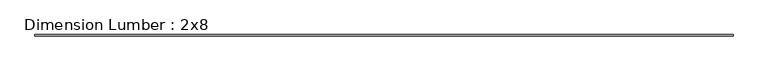
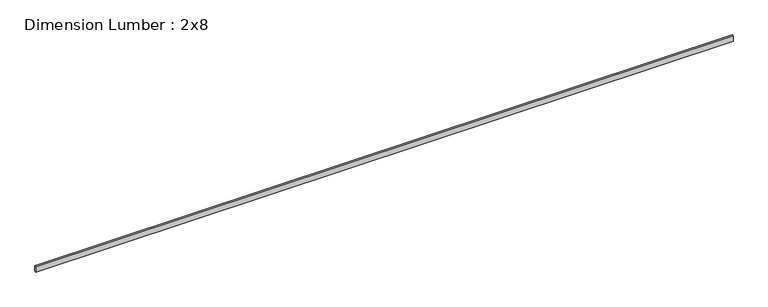
"""IFC4 building model written with IfcOpenShell, lengths in millimetres: beam geometry, Dimension Lumber : 2x8."""

from ifc_helpers import new_model, si_unit, frame, origin, place, context, project, spatial, polyline, outline, extrude, source, transform, mapped, element, save


def dimension_lumber_2x8_4d0087f9(model_context):
    return source(origin(), model_context, "Body", "SweptSolid", [
        extrude(outline(polyline([(11122.7133637, 19.05), (11122.7133637, -19.05), (-11122.7133637, -19.05), (-11122.7133637, 19.05), (11122.7133637, 19.05)])), frame((0.0, 0.0, -92.075), z_axis=(0.0, 0.0, 1.0), x_axis=(1.0, 0.0, 0.0)), (0.0, 0.0, 1.0), 184.15),
    ])


if __name__ == "__main__":
    model = new_model("IFC4")
    model_context = context("Model", 3, world=origin())
    ifc_project = project(units=[si_unit("LENGTHUNIT", "METRE", prefix="MILLI")], contexts=[model_context])
    site = spatial("IfcSite", under=ifc_project)
    building = spatial("IfcBuilding", under=site)
    placement = place(None, origin())
    dimension_lumber_2x8_shape = dimension_lumber_2x8_4d0087f9(model_context)
    element("IfcBeam", 1, ObjectType="Dimension Lumber : 2x8", at=placement, inside=building, context=model_context, shape_type="MappedRepresentation", body=[
        mapped(dimension_lumber_2x8_shape, transform((0.0, 0.0, 0.0), x_axis=(1.0, 0.0, 0.0), y_axis=(0.0, 1.0, 0.0), z_axis=(0.0, 0.0, 1.0))),
    ])
    save(model, "model.ifc")
